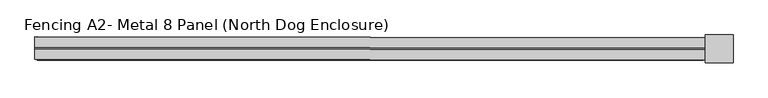
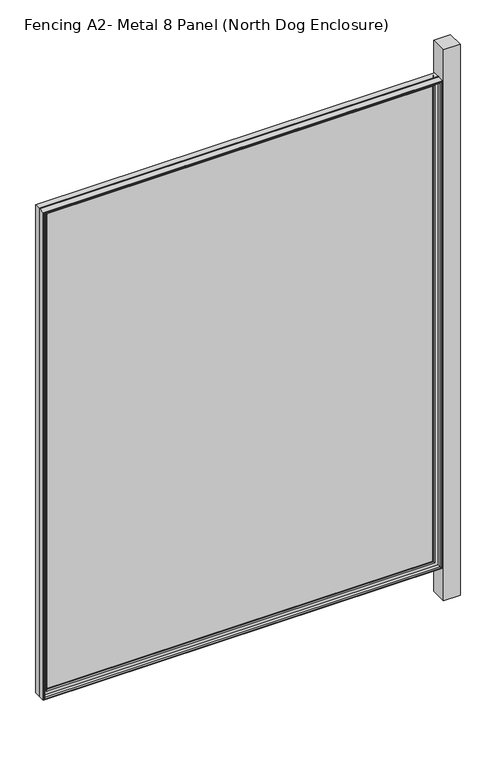
"""IFC4 building model written with IfcOpenShell, lengths in millimetres: railing geometry, Fencing A2- Metal 8 Panel (North Dog Enclosure)."""

import ifcopenshell
import ifcopenshell.guid

model = None  # the IFC model being written
_history = None  # IfcOwnerHistory: only IFC2X3 demands one
_inside = {}  # id of a spatial element -> (the spatial element, [elements in it])
_under = {}  # id of a project, library or spatial element -> (it, [spatial elements below it])
_declared = {}  # id of a project -> (the project, [libraries it declares])
_typed = {}  # id of a type object -> (the type object, [elements of that type])
_made_of = {}  # id of a material, layer set ... -> (it, [elements and type objects made of it])


def new_model(schema):
    """Start an empty IFC model of exactly this schema.

    Asked for "IFC4X3", IfcOpenShell would pick the latest addendum, in which some entities
    have other attributes; the version numbers below select the first issue.
    IFC2X3 requires an IfcOwnerHistory on every rooted entity: one is made here for all.
    """
    global model, _history
    if schema == "IFC4X3":
        model = ifcopenshell.file(schema_version=(4, 3, 0, 0))
    else:
        model = ifcopenshell.file(schema=schema)
    _inside.clear()
    _under.clear()
    _declared.clear()
    _typed.clear()
    _made_of.clear()
    _history = None
    if model.schema == "IFC2X3":
        org = make("IfcOrganization", Name="unknown")
        user = make(
            "IfcPersonAndOrganization",
            ThePerson=make("IfcPerson", FamilyName="unknown"),
            TheOrganization=org,
        )
        app = make(
            "IfcApplication",
            ApplicationDeveloper=org,
            Version="unknown",
            ApplicationFullName="unknown",
            ApplicationIdentifier="unknown",
        )
        _history = make(
            "IfcOwnerHistory",
            OwningUser=user,
            OwningApplication=app,
            ChangeAction="ADDED",
            CreationDate=0,
        )
    return model


def make(cls, **values):
    """One entity of the class cls with the attributes given. An attribute that is None is left unset."""
    return model.create_entity(
        cls, **{name: value for name, value in values.items() if value is not None}
    )


def rooted(cls, **values):
    """An entity with a GlobalId (a new one), such as an element, a storey or a relation."""
    return make(cls, GlobalId=ifcopenshell.guid.new(), OwnerHistory=_history, **values)


def si_unit(unit_type, name, prefix=None):
    """IfcSIUnit, for example si_unit("LENGTHUNIT", "METRE", prefix="MILLI")."""
    return make("IfcSIUnit", UnitType=unit_type, Prefix=prefix, Name=name)


def assignment(units):
    """IfcUnitAssignment: the units of a project."""
    return None if units is None else make("IfcUnitAssignment", Units=units)


def point(xyz):
    """IfcCartesianPoint."""
    return None if xyz is None else make("IfcCartesianPoint", Coordinates=xyz)


def direction(xyz):
    """IfcDirection."""
    return None if xyz is None else make("IfcDirection", DirectionRatios=xyz)


def frame(location, z_axis=None, x_axis=None):
    """IfcAxis2Placement3D, a coordinate frame: its origin and axes. An axis left out is left unset."""
    return make(
        "IfcAxis2Placement3D",
        Location=point(location),
        Axis=direction(z_axis),
        RefDirection=direction(x_axis),
    )


def origin():
    """The frame at (0, 0, 0) with its axes left unset."""
    return frame((0.0, 0.0, 0.0))


def place(relative_to, where):
    """IfcLocalPlacement: puts the frame where relative to a parent placement (None: the world)."""
    return make(
        "IfcLocalPlacement", PlacementRelTo=relative_to, RelativePlacement=where
    )


def context(
    kind, dimensions, precision=None, world=None, true_north=None, identifier=None
):
    """IfcGeometricRepresentationContext, for example the 3D "Model" context."""
    return make(
        "IfcGeometricRepresentationContext",
        ContextIdentifier=identifier,
        ContextType=kind,
        CoordinateSpaceDimension=dimensions,
        Precision=precision,
        WorldCoordinateSystem=world,
        TrueNorth=true_north,
    )


def project(units=None, contexts=None):
    """IfcProject with its units and contexts."""
    return rooted(
        "IfcProject",
        Name="project",
        RepresentationContexts=contexts,
        UnitsInContext=assignment(units),
    )


def spatial(cls, under=None, at=None, **own):
    """A site, building, storey or space (cls), placed at a placement, below another one or the project."""
    s = rooted(cls, ObjectPlacement=at, **own)
    if under is not None:
        _under.setdefault(under.id(), (under, []))[1].append(s)
    return s


def polyline(points):
    """IfcPolyline through the points."""
    return make("IfcPolyline", Points=[point(p) for p in points])


def ellipse_curve(where, semi_axis1, semi_axis2):
    """IfcEllipse in the frame where."""
    return make(
        "IfcEllipse", Position=where, SemiAxis1=semi_axis1, SemiAxis2=semi_axis2
    )


def outline(outer, holes=None, kind="AREA"):
    """IfcArbitraryClosedProfileDef: a profile drawn as a closed curve; with holes, ...WithVoids."""
    if holes is None:
        return make("IfcArbitraryClosedProfileDef", ProfileType=kind, OuterCurve=outer)
    return make(
        "IfcArbitraryProfileDefWithVoids",
        ProfileType=kind,
        OuterCurve=outer,
        InnerCurves=holes,
    )


def extrude(swept, where, along, depth):
    """IfcExtrudedAreaSolid: the profile swept, set in the frame where, extruded along a direction by depth."""
    return make(
        "IfcExtrudedAreaSolid",
        SweptArea=swept,
        Position=where,
        ExtrudedDirection=direction(along),
        Depth=depth,
    )


def shape(context_of_items, identifier, shape_type, items):
    """IfcShapeRepresentation: the items that make up one representation, for example the "Body"."""
    return make(
        "IfcShapeRepresentation",
        ContextOfItems=context_of_items,
        RepresentationIdentifier=identifier,
        RepresentationType=shape_type,
        Items=items,
    )


def source(mapping_origin, context_of_items, identifier, shape_type, items):
    """IfcRepresentationMap: a shape defined once, which mapped items show again and again."""
    return make(
        "IfcRepresentationMap",
        MappingOrigin=mapping_origin,
        MappedRepresentation=shape(context_of_items, identifier, shape_type, items),
    )


def transform(
    local_origin,
    x_axis=None,
    y_axis=None,
    z_axis=None,
    scale=None,
    scale2=None,
    scale3=None,
    uniform=True,
):
    """IfcCartesianTransformationOperator3D, or its non-uniform kind. x_axis, y_axis, z_axis: its Axis1, 2, 3."""
    if uniform:
        return make(
            "IfcCartesianTransformationOperator3D",
            Axis1=direction(x_axis),
            Axis2=direction(y_axis),
            LocalOrigin=point(local_origin),
            Scale=scale,
            Axis3=direction(z_axis),
        )
    return make(
        "IfcCartesianTransformationOperator3DnonUniform",
        Axis1=direction(x_axis),
        Axis2=direction(y_axis),
        LocalOrigin=point(local_origin),
        Scale=scale,
        Axis3=direction(z_axis),
        Scale2=scale2,
        Scale3=scale3,
    )


def mapped(mapping_source, mapping_target):
    """IfcMappedItem: shows the shape of a source again, moved by a transform."""
    return make(
        "IfcMappedItem", MappingSource=mapping_source, MappingTarget=mapping_target
    )


def made_of(thing, what):
    """Note that an element or type object is made of a material, layer set ...; save() writes the relation."""
    if what is not None:
        _made_of.setdefault(what.id(), (what, []))[1].append(thing)
    return thing


def element(
    cls,
    number,
    at=None,
    inside=None,
    cuts=None,
    type_object=None,
    material=None,
    context=None,
    identifier="Body",
    shape_type=None,
    held_by="IfcProductDefinitionShape",
    body=None,
    shapes=None,
    **own,
):
    """One element of the class cls, such as IfcWall. Its Tag is "e" and its number.

    at: its placement. inside: the storey or other place that contains it. cuts: it is an
    opening in that element (IfcRelVoidsElement). A single representation is given by context,
    identifier, shape_type and body (its items); several are given by shapes. held_by: the class
    of the entity that holds the representations. save() writes the other relations.
    """
    e = rooted(cls, Tag="e%d" % number, ObjectPlacement=at, **own)
    if body is not None:
        shapes = [shape(context, identifier, shape_type, body)]
    if shapes is not None:
        e.Representation = make(held_by, Representations=shapes)
    if inside is not None:
        _inside.setdefault(inside.id(), (inside, []))[1].append(e)
    if cuts is not None:
        rooted(
            "IfcRelVoidsElement", RelatingBuildingElement=cuts, RelatedOpeningElement=e
        )
    if type_object is not None:
        _typed.setdefault(type_object.id(), (type_object, []))[1].append(e)
    return made_of(e, material)


def aggregate(whole, parts):
    """IfcRelAggregates: a whole, such as a stair, and the parts it consists of."""
    return rooted("IfcRelAggregates", RelatingObject=whole, RelatedObjects=parts)


def save(model, path):
    """Write the relations noted so far, then the file.

    IfcRelAggregates (storeys below a building ...), IfcRelContainedInSpatialStructure (elements
    in a storey), IfcRelDefinesByType, IfcRelAssociatesMaterial and IfcRelDeclares: one each for
    every whole, place, type object, material and project.
    """
    for whole, parts in _under.values():
        aggregate(whole, parts)
    for where, things in _inside.values():
        rooted(
            "IfcRelContainedInSpatialStructure",
            RelatedElements=things,
            RelatingStructure=where,
        )
    for kind, things in _typed.values():
        rooted("IfcRelDefinesByType", RelatedObjects=things, RelatingType=kind)
    for what, things in _made_of.values():
        rooted("IfcRelAssociatesMaterial", RelatedObjects=things, RelatingMaterial=what)
    for by, libraries in _declared.values():
        rooted("IfcRelDeclares", RelatingContext=by, RelatedDefinitions=libraries)
    model.write(path)


def plane_surface(at):
    """IfcPlane: the flat surface through the origin of the frame at, square to its z axis."""
    return make("IfcPlane", Position=at)


def cylinder_surface(at, radius):
    """IfcCylindricalSurface: all points at the distance radius from the z axis of the frame at."""
    return make("IfcCylindricalSurface", Position=at, Radius=radius)


def advanced_brep(points, edges, surfaces, faces):
    """IfcAdvancedBrep: a solid bounded by faces that lie on surfaces and meet in shared edges.

    An edge is (start, end): straight between two places in points (the first is 0);
    or (start, end, curve); or (start, end, curve, False) where it runs against its curve.
    A face is (place in surfaces, loops), or (place, loops, False) where it looks against
    its surface's normal. A loop lists edges by number (the first is 1), with a minus sign
    where the edge is run from its end to its start. The first loop is the outer one.
    """
    corners = [point(p) for p in points]
    vertices = [make("IfcVertexPoint", VertexGeometry=c) for c in corners]
    made = []
    for start, end, *more in edges:
        made.append(
            make(
                "IfcEdgeCurve",
                EdgeStart=vertices[start],
                EdgeEnd=vertices[end],
                EdgeGeometry=more[0] if more else make("IfcPolyline", Points=[corners[start], corners[end]]),
                SameSense=more[1] if len(more) > 1 else True,
            )
        )
    hull = []
    for where, loops, *sense in faces:
        bounds = []
        for j, loop in enumerate(loops):
            ring = [make("IfcOrientedEdge", EdgeElement=made[abs(k) - 1], Orientation=k > 0) for k in loop]
            bounds.append(
                make(
                    "IfcFaceOuterBound" if j == 0 else "IfcFaceBound",
                    Bound=make("IfcEdgeLoop", EdgeList=ring),
                    Orientation=True,
                )
            )
        hull.append(make("IfcAdvancedFace", Bounds=bounds, FaceSurface=surfaces[where], SameSense=sense[0] if sense else True))
    return make("IfcAdvancedBrep", Outer=make("IfcClosedShell", CfsFaces=hull))


def fencing_a2_metal_8_panel_north_dog_enclosure_d8b6c514(model_context):
    return source(origin(), model_context, "Body", "SolidModel", [
        advanced_brep(
        [(18782.4384689, 2309.9299698, 908.05), (18785.6172354, 2313.1011987, 911.225), (18785.6172354, 2313.1011987, -657.225), (18782.4384689, 2309.9299698, -654.05), (17572.7680899, 2314.5408872, -657.225), (17575.9393189, 2311.3621206, -654.05), (17569.5930922, 2314.544656, -660.4), (17569.5930922, 2314.544656, 914.4), (18788.7922332, 2313.0974299, 914.4), (18788.7922332, 2313.0974299, -660.4), (17572.7680899, 2314.5408872, 911.225), (17575.9393189, 2311.3621206, 908.05), (18782.4271624, 2300.4049765, -654.05), (17575.9280124, 2301.8371273, -654.05), (18782.4271624, 2300.4049765, 908.05), (17575.9280124, 2301.8371273, 908.05), (18772.9021691, 2300.4162829, -644.525), (18772.9021691, 2300.4162829, 898.525), (17585.4530057, 2301.8258209, 898.525), (17585.4530057, 2301.8258209, -644.525), (18769.7234025, 2297.245054, 895.35), (18769.7234025, 2297.245054, -641.35), (17588.6242346, 2298.6470543, -641.35), (17588.6242346, 2298.6470543, 895.35), (18769.7196337, 2294.0700562, -641.35), (17588.6204658, 2295.4720565, -641.35), (18769.7196337, 2294.0700562, 895.35), (17588.6204658, 2295.4720565, 895.35), (18788.7696203, 2294.0474433, -660.4), (18788.7696203, 2294.0474433, 914.4), (17569.5704792, 2295.4946694, 914.4), (17569.5704792, 2295.4946694, -660.4)],
        [
            (0, 1, ellipse_curve(frame((18785.6134666, 2309.926201, 911.225), z_axis=(0.7071062830160321, -0.0008393564505200861, -0.7071067811865475), x_axis=(0.707106283016032, -0.000839356450520086, 0.7071067811865476)), 4.4901281, 3.175)),
            (1, 2),
            (2, 3, ellipse_curve(frame((18785.6134666, 2309.926201, -657.225), z_axis=(0.7071062830160321, -0.0008393564505200861, 0.7071067811865475), x_axis=(-0.707106283016032, 0.000839356450520086, 0.7071067811865476)), 4.4901281, 3.175)),
            (3, 0),
            (2, 4),
            (4, 5, ellipse_curve(frame((17572.7643211, 2311.3658894, -657.225), z_axis=(0.7071062830160321, -0.0008393564505200861, -0.7071067811865475), x_axis=(0.7071062830160322, -0.0008393564505200862, 0.7071067811865474)), 4.4901281, 3.175)),
            (5, 3),
            (6, 7),
            (7, 8),
            (8, 9),
            (9, 6),
            (1, 10),
            (10, 4),
            (10, 11, ellipse_curve(frame((17572.7643211, 2311.3658894, 911.225), z_axis=(-0.7071062830160321, 0.0008393564505200861, -0.7071067811865475), x_axis=(0.707106283016032, -0.000839356450520086, -0.7071067811865476)), 4.4901281, 3.175)),
            (11, 5),
            (12, 3),
            (5, 13),
            (13, 12),
            (14, 0),
            (12, 14),
            (11, 15),
            (15, 13),
            (15, 14),
            (16, 17),
            (17, 18),
            (18, 19),
            (19, 16),
            (20, 17, ellipse_curve(frame((18772.8984003, 2297.2412852, 898.525), z_axis=(0.7071062830160321, -0.0008393564505200861, -0.7071067811865475), x_axis=(0.707106283016032, -0.000839356450520086, 0.7071067811865476)), 4.4901281, 3.175)),
            (16, 21, ellipse_curve(frame((18772.8984003, 2297.2412852, -644.525), z_axis=(0.7071062830160321, -0.0008393564505200861, 0.7071067811865475), x_axis=(-0.707106283016032, 0.000839356450520086, 0.7071067811865476)), 4.4901281, 3.175)),
            (21, 20),
            (19, 22, ellipse_curve(frame((17585.4492369, 2298.6508231, -644.525), z_axis=(0.7071062830160321, -0.0008393564505200861, -0.7071067811865475), x_axis=(0.7071062830160322, -0.0008393564505200862, 0.7071067811865474)), 4.4901281, 3.175)),
            (22, 21),
            (18, 23, ellipse_curve(frame((17585.4492369, 2298.6508231, 898.525), z_axis=(-0.7071062830160321, 0.0008393564505200861, -0.7071067811865475), x_axis=(0.707106283016032, -0.000839356450520086, -0.7071067811865476)), 4.4901281, 3.175)),
            (23, 22),
            (24, 21),
            (22, 25),
            (25, 24),
            (26, 20),
            (24, 26),
            (23, 27),
            (27, 25),
            (28, 29),
            (29, 30),
            (30, 31),
            (31, 28),
            (27, 26),
            (8, 29),
            (28, 9),
            (31, 6),
            (30, 7),
            (0, 11),
            (20, 23),
        ],
        [
            cylinder_surface(frame((18785.6134666, 2309.926201, 914.4), z_axis=(0.0, 0.0, 1.0), x_axis=(0.9999992954805008, -0.0011870292759914025, 0.0)), 3.175),
            cylinder_surface(frame((18788.7884644, 2309.9224321, -657.225), z_axis=(0.9999992954805008, -0.0011870292759908474, 0.0), x_axis=(0.0, 0.0, -1.0)), 3.175),
            plane_surface(frame((18788.7922332, 2313.0974299, 914.4), z_axis=(0.0011870292759914025, 0.9999992954805008, 0.0), x_axis=(0.0, 0.0, -1.0))),
            cylinder_surface(frame((17572.7643211, 2311.3658894, -660.4), z_axis=(0.0, 0.0, -1.0), x_axis=(-0.9999992954805008, 0.0011870292759902923, 0.0)), 3.175),
            plane_surface(frame((18782.4384689, 2309.9299698, -654.05), z_axis=(0.0, 0.0, 1.0), x_axis=(-0.9999992954805008, 0.0011870292759908522, 0.0))),
            plane_surface(frame((18782.4384689, 2309.9299698, 908.05), z_axis=(-0.9999992954805008, 0.0011870292759914025, 0.0), x_axis=(0.0, 0.0, -1.0))),
            plane_surface(frame((17575.9393189, 2311.3621206, -654.05), z_axis=(0.9999992954805008, -0.0011870292759902923, 0.0), x_axis=(0.0, 0.0, 1.0))),
            plane_surface(frame((18782.4271624, 2300.4049765, 908.05), z_axis=(0.0011870292759914025, 0.9999992954805008, 0.0), x_axis=(0.0, 0.0, -1.0))),
            cylinder_surface(frame((18772.8984003, 2297.2412852, 914.4), z_axis=(0.0, 0.0, 1.0), x_axis=(0.9999992954805008, -0.0011870292759914025, 0.0)), 3.175),
            cylinder_surface(frame((18788.7733891, 2297.2224411, -644.525), z_axis=(0.9999992954805008, -0.0011870292759908474, 0.0), x_axis=(0.0, 0.0, -1.0)), 3.175),
            cylinder_surface(frame((17585.4492369, 2298.6508231, -660.4), z_axis=(0.0, 0.0, -1.0), x_axis=(-0.9999992954805008, 0.0011870292759902923, 0.0)), 3.175),
            plane_surface(frame((18769.7234025, 2297.245054, -641.35), z_axis=(0.0, 0.0, 1.0), x_axis=(-0.9999992954805008, 0.0011870292759908546, 0.0))),
            plane_surface(frame((18769.7234025, 2297.245054, 895.35), z_axis=(-0.9999992954805008, 0.0011870292759914025, 0.0), x_axis=(0.0, 0.0, -1.0))),
            plane_surface(frame((17588.6242346, 2298.6470543, -641.35), z_axis=(0.9999992954805008, -0.0011870292759902923, 0.0), x_axis=(0.0, 0.0, 1.0))),
            plane_surface(frame((18769.7196337, 2294.0700562, 895.35), z_axis=(-0.0011870292759914025, -0.9999992954805008, 0.0), x_axis=(0.0, 0.0, -1.0))),
            plane_surface(frame((18788.7696203, 2294.0474433, 914.4), z_axis=(0.9999992954805008, -0.0011870292759914025, 0.0), x_axis=(0.0, 0.0, -1.0))),
            plane_surface(frame((18788.7696203, 2294.0474433, -660.4), z_axis=(0.0, 0.0, -1.0), x_axis=(-0.9999992954805008, 0.0011870292759908474, 0.0))),
            plane_surface(frame((17569.5704792, 2295.4946694, -660.4), z_axis=(-0.9999992954805008, 0.0011870292759902923, 0.0), x_axis=(0.0, 0.0, 1.0))),
            cylinder_surface(frame((17569.5893233, 2311.3696582, 911.225), z_axis=(-0.9999992954805008, 0.0011870292759908474, 0.0), x_axis=(0.0, 0.0, 1.0)), 3.175),
            plane_surface(frame((17575.9393189, 2311.3621206, 908.05), z_axis=(0.0, 0.0, -1.0), x_axis=(0.9999992954805008, -0.0011870292759908485, 0.0))),
            cylinder_surface(frame((17569.5742481, 2298.6696672, 898.525), z_axis=(-0.9999992954805008, 0.0011870292759908474, 0.0), x_axis=(0.0, 0.0, 1.0)), 3.175),
            plane_surface(frame((17588.6242346, 2298.6470543, 895.35), z_axis=(0.0, 0.0, -1.0), x_axis=(0.9999992954805008, -0.0011870292759908546, 0.0))),
            plane_surface(frame((17569.5704792, 2295.4946694, 914.4), z_axis=(0.0, 0.0, 1.0), x_axis=(0.9999992954805008, -0.0011870292759908474, 0.0))),
        ],
        [
            (0, [[1, 2, 3, 4]]),
            (1, [[-3, 5, 6, 7]]),
            (2, [[8, 9, 10, 11], [-2, 12, 13, -5]]),
            (3, [[-6, -13, 14, 15]]),
            (4, [[16, -7, 17, 18]]),
            (5, [[19, -4, -16, 20]]),
            (6, [[-17, -15, 21, 22]]),
            (7, [[-22, 23, -20, -18], [24, 25, 26, 27]]),
            (8, [[28, -24, 29, 30]]),
            (9, [[-29, -27, 31, 32]]),
            (10, [[-31, -26, 33, 34]]),
            (11, [[35, -32, 36, 37]]),
            (12, [[38, -30, -35, 39]]),
            (13, [[-36, -34, 40, 41]]),
            (14, [[42, 43, 44, 45], [-41, 46, -39, -37]]),
            (15, [[47, -42, 48, -10]]),
            (16, [[-48, -45, 49, -11]]),
            (17, [[-49, -44, 50, -8]]),
            (18, [[-14, -12, -1, 51]]),
            (19, [[-21, -51, -19, -23]]),
            (20, [[-33, -25, -28, 52]]),
            (21, [[-40, -52, -38, -46]]),
            (22, [[-50, -43, -47, -9]]),
        ],
    ),
        advanced_brep(
        [(18788.7658515, 2290.8724456, 914.4), (18788.7432386, 2271.822459, 914.4), (18788.7432386, 2271.822459, -660.4), (18788.7658515, 2290.8724456, -660.4), (17569.5440975, 2273.2696851, -660.4), (17569.5667104, 2292.3196717, -660.4), (17569.5440975, 2273.2696851, 914.4), (17572.7190953, 2273.2659163, -657.225), (17572.7190953, 2273.2659163, 911.225), (18785.5682408, 2271.8262278, 911.225), (18785.5682408, 2271.8262278, -657.225), (17569.5667104, 2292.3196717, 914.4), (18769.7158649, 2290.8950585, -641.35), (18769.7158649, 2290.8950585, 895.35), (17588.616697, 2292.2970587, 895.35), (17588.616697, 2292.2970587, -641.35), (18769.7120961, 2287.7200607, 895.35), (18769.7120961, 2287.7200607, -641.35), (17588.6129282, 2289.122061, -641.35), (17588.6129282, 2289.122061, 895.35), (18772.883325, 2284.5412941, -644.525), (17585.4341616, 2285.950832, -644.525), (18772.883325, 2284.5412941, 898.525), (17585.4341616, 2285.950832, 898.525), (18782.4083183, 2284.5299877, -654.05), (18782.4083183, 2284.5299877, 908.05), (17575.9091683, 2285.9621385, 908.05), (17575.9091683, 2285.9621385, -654.05), (18782.3970119, 2275.0049944, 908.05), (18782.3970119, 2275.0049944, -654.05), (17575.8978619, 2276.4371452, -654.05), (17575.8978619, 2276.4371452, 908.05)],
        [
            (0, 1),
            (1, 2),
            (2, 3),
            (3, 0),
            (2, 4),
            (4, 5),
            (5, 3),
            (1, 6),
            (6, 4),
            (7, 8),
            (8, 9),
            (9, 10),
            (10, 7),
            (6, 11),
            (11, 5),
            (11, 0),
            (12, 13),
            (13, 14),
            (14, 15),
            (15, 12),
            (16, 13),
            (12, 17),
            (17, 16),
            (15, 18),
            (18, 17),
            (14, 19),
            (19, 18),
            (20, 17, ellipse_curve(frame((18772.8870938, 2287.7162919, -644.525), z_axis=(-0.7071062830160321, 0.0008393564505200861, -0.7071067811865475), x_axis=(0.7071062830160322, -0.0008393564505200862, -0.7071067811865474)), 4.4901281, 3.175)),
            (18, 21, ellipse_curve(frame((17585.4379304, 2289.1258298, -644.525), z_axis=(0.7071062830160321, -0.0008393564505200861, -0.7071067811865475), x_axis=(0.7071062830160322, -0.0008393564505200862, 0.7071067811865474)), 4.4901281, 3.175)),
            (21, 20),
            (22, 16, ellipse_curve(frame((18772.8870938, 2287.7162919, 898.525), z_axis=(0.7071062830160321, -0.0008393564505200861, -0.7071067811865475), x_axis=(0.707106283016032, -0.000839356450520086, 0.7071067811865476)), 4.4901281, 3.175)),
            (20, 22),
            (19, 23, ellipse_curve(frame((17585.4379304, 2289.1258298, 898.525), z_axis=(-0.7071062830160321, 0.0008393564505200861, -0.7071067811865475), x_axis=(0.707106283016032, -0.000839356450520086, -0.7071067811865476)), 4.4901281, 3.175)),
            (23, 21),
            (24, 25),
            (25, 26),
            (26, 27),
            (27, 24),
            (23, 22),
            (28, 25),
            (24, 29),
            (29, 28),
            (27, 30),
            (30, 29),
            (26, 31),
            (31, 30),
            (10, 29, ellipse_curve(frame((18785.5720096, 2275.0012256, -657.225), z_axis=(-0.7071062830160321, 0.0008393564505200861, -0.7071067811865475), x_axis=(0.7071062830160322, -0.0008393564505200862, -0.7071067811865474)), 4.4901281, 3.175)),
            (30, 7, ellipse_curve(frame((17572.7228641, 2276.440914, -657.225), z_axis=(0.7071062830160321, -0.0008393564505200861, -0.7071067811865475), x_axis=(0.7071062830160322, -0.0008393564505200862, 0.7071067811865474)), 4.4901281, 3.175)),
            (9, 28, ellipse_curve(frame((18785.5720096, 2275.0012256, 911.225), z_axis=(0.7071062830160321, -0.0008393564505200861, -0.7071067811865475), x_axis=(0.707106283016032, -0.000839356450520086, 0.7071067811865476)), 4.4901281, 3.175)),
            (31, 8, ellipse_curve(frame((17572.7228641, 2276.440914, 911.225), z_axis=(-0.7071062830160321, 0.0008393564505200861, -0.7071067811865475), x_axis=(0.707106283016032, -0.000839356450520086, -0.7071067811865476)), 4.4901281, 3.175)),
            (16, 19),
            (28, 31),
        ],
        [
            plane_surface(frame((18788.7432386, 2271.822459, 914.4), z_axis=(0.9999992954805008, -0.0011870292759914025, 0.0), x_axis=(0.0, 0.0, -1.0))),
            plane_surface(frame((18788.7432386, 2271.822459, -660.4), z_axis=(0.0, 0.0, -1.0), x_axis=(-0.9999992954805008, 0.0011870292759908474, 0.0))),
            plane_surface(frame((18785.5682408, 2271.8262278, 911.225), z_axis=(-0.0011870292759914025, -0.9999992954805008, 0.0), x_axis=(0.0, 0.0, -1.0))),
            plane_surface(frame((17569.5440975, 2273.2696851, -660.4), z_axis=(-0.9999992954805008, 0.0011870292759902923, 0.0), x_axis=(0.0, 0.0, 1.0))),
            plane_surface(frame((18788.7658515, 2290.8724456, 914.4), z_axis=(0.0011870292759914025, 0.9999992954805008, 0.0), x_axis=(0.0, 0.0, -1.0))),
            plane_surface(frame((18769.7158649, 2290.8950585, 895.35), z_axis=(-0.9999992954805008, 0.0011870292759914025, 0.0), x_axis=(0.0, 0.0, -1.0))),
            plane_surface(frame((18769.7158649, 2290.8950585, -641.35), z_axis=(0.0, 0.0, 1.0), x_axis=(-0.9999992954805008, 0.0011870292759908546, 0.0))),
            plane_surface(frame((17588.616697, 2292.2970587, -641.35), z_axis=(0.9999992954805008, -0.0011870292759902923, 0.0), x_axis=(0.0, 0.0, 1.0))),
            cylinder_surface(frame((18788.7620827, 2287.6974478, -644.525), z_axis=(0.9999992954805008, -0.0011870292759908474, 0.0), x_axis=(0.0, 0.0, -1.0)), 3.175),
            cylinder_surface(frame((18772.8870938, 2287.7162919, 914.4), z_axis=(0.0, 0.0, 1.0), x_axis=(0.9999992954805008, -0.0011870292759914025, 0.0)), 3.175),
            cylinder_surface(frame((17585.4379304, 2289.1258298, -660.4), z_axis=(0.0, 0.0, -1.0), x_axis=(-0.9999992954805008, 0.0011870292759902923, 0.0)), 3.175),
            plane_surface(frame((18772.883325, 2284.5412941, 898.525), z_axis=(-0.0011870292759914025, -0.9999992954805008, 0.0), x_axis=(0.0, 0.0, -1.0))),
            plane_surface(frame((18782.4083183, 2284.5299877, 908.05), z_axis=(-0.9999992954805008, 0.0011870292759914025, 0.0), x_axis=(0.0, 0.0, -1.0))),
            plane_surface(frame((18782.4083183, 2284.5299877, -654.05), z_axis=(0.0, 0.0, 1.0), x_axis=(-0.9999992954805008, 0.0011870292759908485, 0.0))),
            plane_surface(frame((17575.9091683, 2285.9621385, -654.05), z_axis=(0.9999992954805008, -0.0011870292759902923, 0.0), x_axis=(0.0, 0.0, 1.0))),
            cylinder_surface(frame((18788.7470074, 2274.9974567, -657.225), z_axis=(0.9999992954805008, -0.0011870292759908474, 0.0), x_axis=(0.0, 0.0, -1.0)), 3.175),
            cylinder_surface(frame((18785.5720096, 2275.0012256, 914.4), z_axis=(0.0, 0.0, 1.0), x_axis=(0.9999992954805008, -0.0011870292759914025, 0.0)), 3.175),
            cylinder_surface(frame((17572.7228641, 2276.440914, -660.4), z_axis=(0.0, 0.0, -1.0), x_axis=(-0.9999992954805008, 0.0011870292759902923, 0.0)), 3.175),
            plane_surface(frame((17569.5440975, 2273.2696851, 914.4), z_axis=(0.0, 0.0, 1.0), x_axis=(0.9999992954805008, -0.0011870292759908474, 0.0))),
            plane_surface(frame((17588.616697, 2292.2970587, 895.35), z_axis=(0.0, 0.0, -1.0), x_axis=(0.9999992954805008, -0.0011870292759908546, 0.0))),
            cylinder_surface(frame((17569.5629416, 2289.1446739, 898.525), z_axis=(-0.9999992954805008, 0.0011870292759908474, 0.0), x_axis=(0.0, 0.0, 1.0)), 3.175),
            plane_surface(frame((17575.9091683, 2285.9621385, 908.05), z_axis=(0.0, 0.0, -1.0), x_axis=(0.9999992954805008, -0.0011870292759908485, 0.0))),
            cylinder_surface(frame((17569.5478663, 2276.4446828, 911.225), z_axis=(-0.9999992954805008, 0.0011870292759908474, 0.0), x_axis=(0.0, 0.0, 1.0)), 3.175),
        ],
        [
            (0, [[1, 2, 3, 4]]),
            (1, [[-3, 5, 6, 7]]),
            (2, [[-2, 8, 9, -5], [10, 11, 12, 13]]),
            (3, [[-6, -9, 14, 15]]),
            (4, [[-15, 16, -4, -7], [17, 18, 19, 20]]),
            (5, [[21, -17, 22, 23]]),
            (6, [[-22, -20, 24, 25]]),
            (7, [[-24, -19, 26, 27]]),
            (8, [[28, -25, 29, 30]]),
            (9, [[31, -23, -28, 32]]),
            (10, [[-29, -27, 33, 34]]),
            (11, [[35, 36, 37, 38], [-34, 39, -32, -30]]),
            (12, [[40, -35, 41, 42]]),
            (13, [[-41, -38, 43, 44]]),
            (14, [[-43, -37, 45, 46]]),
            (15, [[47, -44, 48, -13]]),
            (16, [[49, -42, -47, -12]]),
            (17, [[-48, -46, 50, -10]]),
            (18, [[-14, -8, -1, -16]]),
            (19, [[-26, -18, -21, 51]]),
            (20, [[-33, -51, -31, -39]]),
            (21, [[-45, -36, -40, 52]]),
            (22, [[-50, -52, -49, -11]]),
        ],
    ),
        extrude(outline(polyline([(18788.7658515, 2290.8724456), (17569.5667104, 2292.3196717), (17569.5704792, 2295.4946694), (18788.7696203, 2294.0474433), (18788.7658515, 2290.8724456)])), frame((0.0, 0.0, -660.4), z_axis=(0.0, 0.0, 1.0), x_axis=(1.0, 0.0, 0.0)), (0.0, 0.0, 1.0), 1574.8),
        extrude(outline(polyline([(18839.5978506, 2317.7996255), (18839.5375496, 2266.9996612), (18788.7375853, 2267.0599623), (18788.7978864, 2317.8599265), (18839.5978506, 2317.7996255)])), frame((0.0, 0.0, -762.0), z_axis=(0.0, 0.0, 1.0), x_axis=(1.0, 0.0, 0.0)), (0.0, 0.0, 1.0), 1778.0),
    ])


if __name__ == "__main__":
    model = new_model("IFC4")
    model_context = context("Model", 3, world=origin())
    ifc_project = project(units=[si_unit("LENGTHUNIT", "METRE", prefix="MILLI")], contexts=[model_context])
    site = spatial("IfcSite", under=ifc_project)
    building = spatial("IfcBuilding", under=site)
    placement = place(None, origin())
    fencing_a2_metal_8_panel_north_dog_enclosure_shape = fencing_a2_metal_8_panel_north_dog_enclosure_d8b6c514(model_context)
    element("IfcRailing", 1, ObjectType="Fencing A2- Metal 8 Panel (North Dog Enclosure)", at=placement, inside=building, context=model_context, shape_type="MappedRepresentation", body=[
        mapped(fencing_a2_metal_8_panel_north_dog_enclosure_shape, transform((0.0, 0.0, 0.0), x_axis=(1.0, 0.0, 0.0), y_axis=(0.0, 1.0, 0.0), z_axis=(0.0, 0.0, 1.0))),
    ])
    save(model, "model.ifc")
